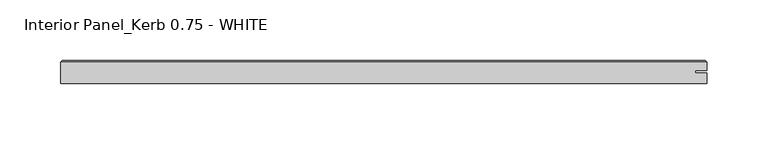
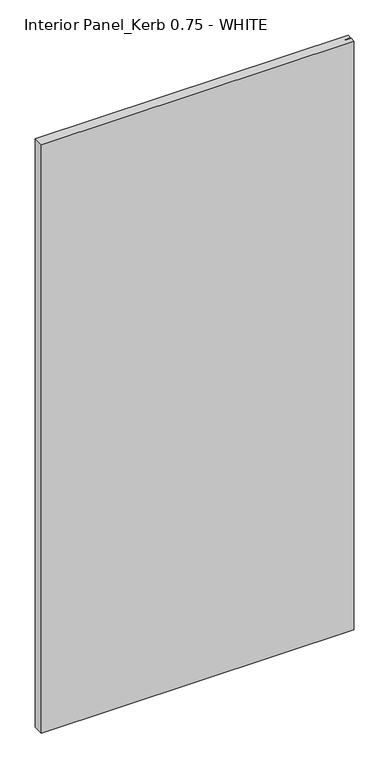
"""IFC4 building model written with IfcOpenShell, lengths in millimetres: proxy geometry, Interior Panel_Kerb 0.75 - WHITE."""

from ifc_helpers import new_model, si_unit, origin, place, context, project, spatial, faceted_brep, source, transform, mapped, element, save


def interior_panel_kerb_0_75_white_76911a57(model_context):
    return source(origin(), model_context, "Body", "Brep", [
        faceted_brep([(461.565625, -3.175, 1063.625), (461.565625, 5.2832, 1063.625), (451.7429687, 5.2832, 1063.625), (451.7429687, 7.4168, 1063.625), (461.565625, 7.4168, 1063.625), (461.565625, 14.2875, 1063.625), (-73.025, 14.2875, 1063.625), (-73.025, -3.175, 1063.625), (461.565625, -3.175, 0.0), (-73.025, -3.175, 0.0), (-73.025, 14.2875, 0.0), (461.565625, 14.2875, 0.0), (461.565625, 7.4168, 0.0), (451.7429687, 7.4168, 0.0), (451.7429687, 5.2832, 0.0), (461.565625, 5.2832, 0.0), (-71.4375, 15.875, 1062.0375), (459.978125, 15.875, 1062.0375), (459.978125, 15.875, 1.5875), (-71.4375, 15.875, 1.5875)], [[[0, 1, 2, 3, 4, 5, 6, 7]], [[8, 9, 10, 11, 12, 13, 14, 15]], [[7, 9, 8, 0]], [[6, 10, 9, 7]], [[16, 17, 18, 19]], [[4, 12, 11, 5]], [[6, 16, 19, 10]], [[11, 18, 17, 5]], [[5, 17, 16, 6]], [[10, 19, 18, 11]], [[3, 13, 12, 4]], [[2, 14, 13, 3]], [[1, 15, 14, 2]], [[0, 8, 15, 1]]]),
    ])


if __name__ == "__main__":
    model = new_model("IFC4")
    model_context = context("Model", 3, world=origin())
    ifc_project = project(units=[si_unit("LENGTHUNIT", "METRE", prefix="MILLI")], contexts=[model_context])
    site = spatial("IfcSite", under=ifc_project)
    building = spatial("IfcBuilding", under=site)
    placement = place(None, origin())
    interior_panel_kerb_0_75_white_shape = interior_panel_kerb_0_75_white_76911a57(model_context)
    element("IfcBuildingElementProxy", 1, Name="Interior Panel_Kerb 0.75 - WHITE", ObjectType="Interior Panel_Kerb 0.75 - WHITE", at=placement, inside=building, context=model_context, shape_type="MappedRepresentation", body=[
        mapped(interior_panel_kerb_0_75_white_shape, transform((0.0, 0.0, 0.0), x_axis=(1.0, 0.0, 0.0), y_axis=(0.0, 1.0, 0.0), z_axis=(0.0, 0.0, 1.0))),
    ])
    save(model, "model.ifc")
